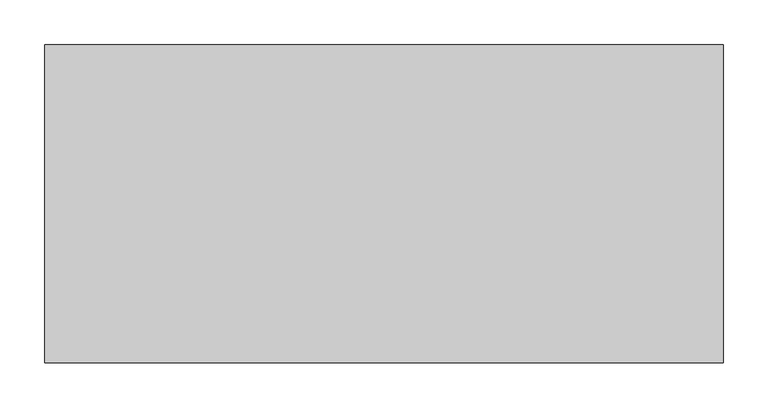
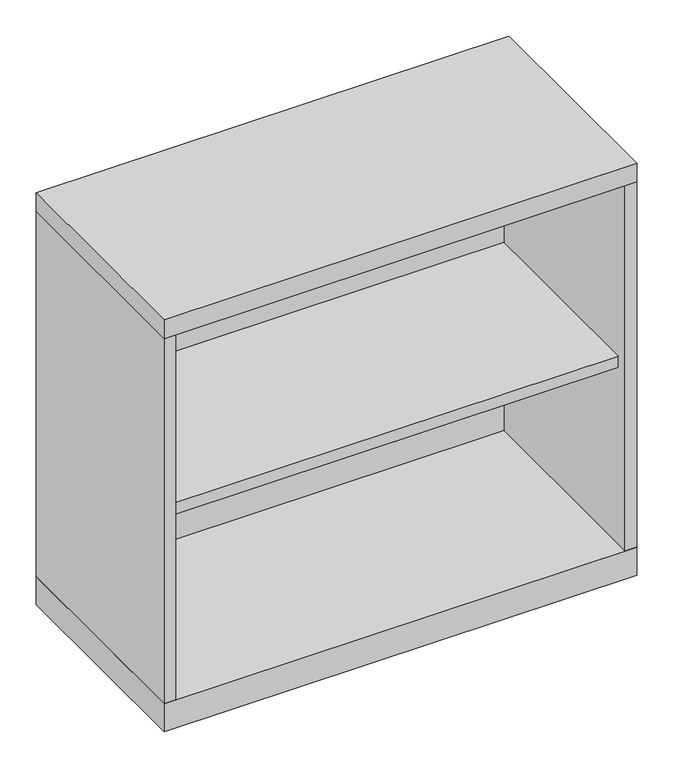
"""IFC4 building model written with IfcOpenShell, lengths in millimetres: furniture geometry."""

from ifc_helpers import new_model, si_unit, frame, origin, origin_with_axes, place, context, project, spatial, polyline, outline, extrude, source, transform, mapped, element, save


def furniture_0f15cab5(model_context):
    return source(origin(), model_context, "Body", "SweptSolid", [
        extrude(outline(polyline([(360.3625, -19.05), (360.3625, -336.55), (-360.3625, -336.55), (-360.3625, -19.05), (360.3625, -19.05)])), frame((0.0, 0.0, 347.6625), z_axis=(0.0, 0.0, 1.0), x_axis=(1.0, 0.0, 0.0)), (0.0, 0.0, 1.0), 19.05),
        extrude(outline(polyline([(379.4125, 0.0), (379.4125, -355.6), (-379.4125, -355.6), (-379.4125, 0.0), (379.4125, 0.0)])), origin_with_axes(), (0.0, 0.0, 1.0), 47.625),
        extrude(outline(polyline([(379.4125, 0.0), (379.4125, -355.6), (-379.4125, -355.6), (-379.4125, 0.0), (379.4125, 0.0)])), frame((0.0, 0.0, 666.75), z_axis=(0.0, 0.0, 1.0), x_axis=(1.0, 0.0, 0.0)), (0.0, 0.0, 1.0), 31.75),
        extrude(outline(polyline([(379.4125, 0.0), (379.4125, -355.6), (360.3625, -355.6), (360.3625, -19.05), (-360.3625, -19.05), (-360.3625, -355.6), (-379.4125, -355.6), (-379.4125, 0.0), (379.4125, 0.0)])), frame((0.0, 0.0, 47.625), z_axis=(0.0, 0.0, 1.0), x_axis=(1.0, 0.0, 0.0)), (0.0, 0.0, 1.0), 619.125),
    ])


if __name__ == "__main__":
    model = new_model("IFC4")
    model_context = context("Model", 3, world=origin())
    ifc_project = project(units=[si_unit("LENGTHUNIT", "METRE", prefix="MILLI")], contexts=[model_context])
    site = spatial("IfcSite", under=ifc_project)
    building = spatial("IfcBuilding", under=site)
    placement = place(None, origin())
    furniture_shape = furniture_0f15cab5(model_context)
    element("IfcFurniture", 1, at=placement, inside=building, context=model_context, shape_type="MappedRepresentation", body=[
        mapped(furniture_shape, transform((0.0, 0.0, 0.0), x_axis=(1.0, 0.0, 0.0), y_axis=(0.0, 1.0, 0.0), z_axis=(0.0, 0.0, 1.0))),
    ])
    save(model, "model.ifc")
